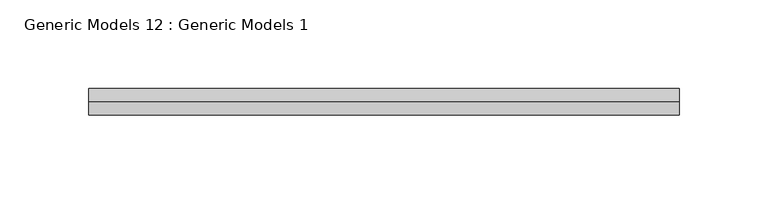
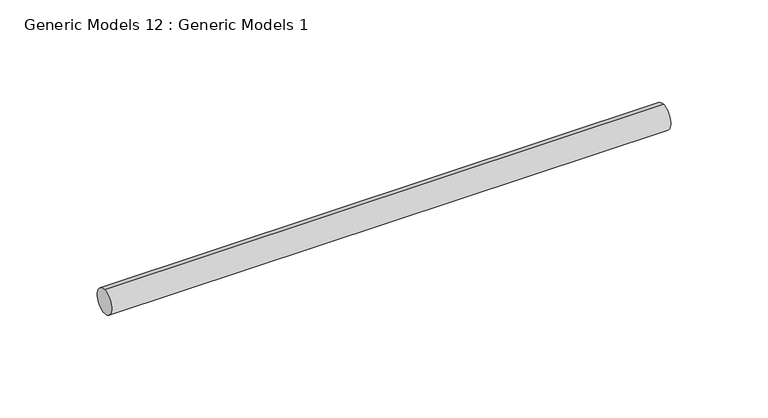
"""IFC4 building model written with IfcOpenShell, lengths in millimetres: proxy geometry, Generic Models 12 : Generic Models 1."""

import ifcopenshell
import ifcopenshell.guid

model = None  # the IFC model being written
_history = None  # IfcOwnerHistory: only IFC2X3 demands one
_inside = {}  # id of a spatial element -> (the spatial element, [elements in it])
_under = {}  # id of a project, library or spatial element -> (it, [spatial elements below it])
_declared = {}  # id of a project -> (the project, [libraries it declares])
_typed = {}  # id of a type object -> (the type object, [elements of that type])
_made_of = {}  # id of a material, layer set ... -> (it, [elements and type objects made of it])


def new_model(schema):
    """Start an empty IFC model of exactly this schema.

    Asked for "IFC4X3", IfcOpenShell would pick the latest addendum, in which some entities
    have other attributes; the version numbers below select the first issue.
    IFC2X3 requires an IfcOwnerHistory on every rooted entity: one is made here for all.
    """
    global model, _history
    if schema == "IFC4X3":
        model = ifcopenshell.file(schema_version=(4, 3, 0, 0))
    else:
        model = ifcopenshell.file(schema=schema)
    _inside.clear()
    _under.clear()
    _declared.clear()
    _typed.clear()
    _made_of.clear()
    _history = None
    if model.schema == "IFC2X3":
        org = make("IfcOrganization", Name="unknown")
        user = make(
            "IfcPersonAndOrganization",
            ThePerson=make("IfcPerson", FamilyName="unknown"),
            TheOrganization=org,
        )
        app = make(
            "IfcApplication",
            ApplicationDeveloper=org,
            Version="unknown",
            ApplicationFullName="unknown",
            ApplicationIdentifier="unknown",
        )
        _history = make(
            "IfcOwnerHistory",
            OwningUser=user,
            OwningApplication=app,
            ChangeAction="ADDED",
            CreationDate=0,
        )
    return model


def make(cls, **values):
    """One entity of the class cls with the attributes given. An attribute that is None is left unset."""
    return model.create_entity(
        cls, **{name: value for name, value in values.items() if value is not None}
    )


def rooted(cls, **values):
    """An entity with a GlobalId (a new one), such as an element, a storey or a relation."""
    return make(cls, GlobalId=ifcopenshell.guid.new(), OwnerHistory=_history, **values)


def si_unit(unit_type, name, prefix=None):
    """IfcSIUnit, for example si_unit("LENGTHUNIT", "METRE", prefix="MILLI")."""
    return make("IfcSIUnit", UnitType=unit_type, Prefix=prefix, Name=name)


def assignment(units):
    """IfcUnitAssignment: the units of a project."""
    return None if units is None else make("IfcUnitAssignment", Units=units)


def point(xyz):
    """IfcCartesianPoint."""
    return None if xyz is None else make("IfcCartesianPoint", Coordinates=xyz)


def direction(xyz):
    """IfcDirection."""
    return None if xyz is None else make("IfcDirection", DirectionRatios=xyz)


def frame(location, z_axis=None, x_axis=None):
    """IfcAxis2Placement3D, a coordinate frame: its origin and axes. An axis left out is left unset."""
    return make(
        "IfcAxis2Placement3D",
        Location=point(location),
        Axis=direction(z_axis),
        RefDirection=direction(x_axis),
    )


def frame_2d(location, x_axis=None):
    """IfcAxis2Placement2D, a coordinate frame in the plane: its origin and x axis."""
    return make(
        "IfcAxis2Placement2D", Location=point(location), RefDirection=direction(x_axis)
    )


def origin():
    """The frame at (0, 0, 0) with its axes left unset."""
    return frame((0.0, 0.0, 0.0))


def place(relative_to, where):
    """IfcLocalPlacement: puts the frame where relative to a parent placement (None: the world)."""
    return make(
        "IfcLocalPlacement", PlacementRelTo=relative_to, RelativePlacement=where
    )


def context(
    kind, dimensions, precision=None, world=None, true_north=None, identifier=None
):
    """IfcGeometricRepresentationContext, for example the 3D "Model" context."""
    return make(
        "IfcGeometricRepresentationContext",
        ContextIdentifier=identifier,
        ContextType=kind,
        CoordinateSpaceDimension=dimensions,
        Precision=precision,
        WorldCoordinateSystem=world,
        TrueNorth=true_north,
    )


def project(units=None, contexts=None):
    """IfcProject with its units and contexts."""
    return rooted(
        "IfcProject",
        Name="project",
        RepresentationContexts=contexts,
        UnitsInContext=assignment(units),
    )


def spatial(cls, under=None, at=None, **own):
    """A site, building, storey or space (cls), placed at a placement, below another one or the project."""
    s = rooted(cls, ObjectPlacement=at, **own)
    if under is not None:
        _under.setdefault(under.id(), (under, []))[1].append(s)
    return s


def circle_curve(where, radius):
    """IfcCircle in the frame where."""
    return make("IfcCircle", Position=where, Radius=radius)


def trimmed(basis, trim1, trim2, sense, master):
    """IfcTrimmedCurve: the piece of a basis curve between two trims."""
    return make(
        "IfcTrimmedCurve",
        BasisCurve=basis,
        Trim1=trim1,
        Trim2=trim2,
        SenseAgreement=sense,
        MasterRepresentation=master,
    )


def segment(curve, same_sense, transition):
    """IfcCompositeCurveSegment."""
    return make(
        "IfcCompositeCurveSegment",
        Transition=transition,
        SameSense=same_sense,
        ParentCurve=curve,
    )


def composite_curve(segments, self_intersect=None):
    """IfcCompositeCurve: segments joined end to end."""
    return make("IfcCompositeCurve", Segments=segments, SelfIntersect=self_intersect)


def outline(outer, holes=None, kind="AREA"):
    """IfcArbitraryClosedProfileDef: a profile drawn as a closed curve; with holes, ...WithVoids."""
    if holes is None:
        return make("IfcArbitraryClosedProfileDef", ProfileType=kind, OuterCurve=outer)
    return make(
        "IfcArbitraryProfileDefWithVoids",
        ProfileType=kind,
        OuterCurve=outer,
        InnerCurves=holes,
    )


def extrude(swept, where, along, depth):
    """IfcExtrudedAreaSolid: the profile swept, set in the frame where, extruded along a direction by depth."""
    return make(
        "IfcExtrudedAreaSolid",
        SweptArea=swept,
        Position=where,
        ExtrudedDirection=direction(along),
        Depth=depth,
    )


def shape(context_of_items, identifier, shape_type, items):
    """IfcShapeRepresentation: the items that make up one representation, for example the "Body"."""
    return make(
        "IfcShapeRepresentation",
        ContextOfItems=context_of_items,
        RepresentationIdentifier=identifier,
        RepresentationType=shape_type,
        Items=items,
    )


def source(mapping_origin, context_of_items, identifier, shape_type, items):
    """IfcRepresentationMap: a shape defined once, which mapped items show again and again."""
    return make(
        "IfcRepresentationMap",
        MappingOrigin=mapping_origin,
        MappedRepresentation=shape(context_of_items, identifier, shape_type, items),
    )


def transform(
    local_origin,
    x_axis=None,
    y_axis=None,
    z_axis=None,
    scale=None,
    scale2=None,
    scale3=None,
    uniform=True,
):
    """IfcCartesianTransformationOperator3D, or its non-uniform kind. x_axis, y_axis, z_axis: its Axis1, 2, 3."""
    if uniform:
        return make(
            "IfcCartesianTransformationOperator3D",
            Axis1=direction(x_axis),
            Axis2=direction(y_axis),
            LocalOrigin=point(local_origin),
            Scale=scale,
            Axis3=direction(z_axis),
        )
    return make(
        "IfcCartesianTransformationOperator3DnonUniform",
        Axis1=direction(x_axis),
        Axis2=direction(y_axis),
        LocalOrigin=point(local_origin),
        Scale=scale,
        Axis3=direction(z_axis),
        Scale2=scale2,
        Scale3=scale3,
    )


def mapped(mapping_source, mapping_target):
    """IfcMappedItem: shows the shape of a source again, moved by a transform."""
    return make(
        "IfcMappedItem", MappingSource=mapping_source, MappingTarget=mapping_target
    )


def made_of(thing, what):
    """Note that an element or type object is made of a material, layer set ...; save() writes the relation."""
    if what is not None:
        _made_of.setdefault(what.id(), (what, []))[1].append(thing)
    return thing


def element(
    cls,
    number,
    at=None,
    inside=None,
    cuts=None,
    type_object=None,
    material=None,
    context=None,
    identifier="Body",
    shape_type=None,
    held_by="IfcProductDefinitionShape",
    body=None,
    shapes=None,
    **own,
):
    """One element of the class cls, such as IfcWall. Its Tag is "e" and its number.

    at: its placement. inside: the storey or other place that contains it. cuts: it is an
    opening in that element (IfcRelVoidsElement). A single representation is given by context,
    identifier, shape_type and body (its items); several are given by shapes. held_by: the class
    of the entity that holds the representations. save() writes the other relations.
    """
    e = rooted(cls, Tag="e%d" % number, ObjectPlacement=at, **own)
    if body is not None:
        shapes = [shape(context, identifier, shape_type, body)]
    if shapes is not None:
        e.Representation = make(held_by, Representations=shapes)
    if inside is not None:
        _inside.setdefault(inside.id(), (inside, []))[1].append(e)
    if cuts is not None:
        rooted(
            "IfcRelVoidsElement", RelatingBuildingElement=cuts, RelatedOpeningElement=e
        )
    if type_object is not None:
        _typed.setdefault(type_object.id(), (type_object, []))[1].append(e)
    return made_of(e, material)


def aggregate(whole, parts):
    """IfcRelAggregates: a whole, such as a stair, and the parts it consists of."""
    return rooted("IfcRelAggregates", RelatingObject=whole, RelatedObjects=parts)


def save(model, path):
    """Write the relations noted so far, then the file.

    IfcRelAggregates (storeys below a building ...), IfcRelContainedInSpatialStructure (elements
    in a storey), IfcRelDefinesByType, IfcRelAssociatesMaterial and IfcRelDeclares: one each for
    every whole, place, type object, material and project.
    """
    for whole, parts in _under.values():
        aggregate(whole, parts)
    for where, things in _inside.values():
        rooted(
            "IfcRelContainedInSpatialStructure",
            RelatedElements=things,
            RelatingStructure=where,
        )
    for kind, things in _typed.values():
        rooted("IfcRelDefinesByType", RelatedObjects=things, RelatingType=kind)
    for what, things in _made_of.values():
        rooted("IfcRelAssociatesMaterial", RelatedObjects=things, RelatingMaterial=what)
    for by, libraries in _declared.values():
        rooted("IfcRelDeclares", RelatingContext=by, RelatedDefinitions=libraries)
    model.write(path)


def generic_models_12_generic_models_1_13f42bfc(model_context):
    return source(origin(), model_context, "Body", "SweptSolid", [
        extrude(outline(composite_curve([segment(trimmed(circle_curve(frame_2d((400.3057469, -818.1141294)), 7.5), [point((400.3057469, -825.6141294))], [point((400.3057469, -810.6141294))], False, "CARTESIAN"), True, "CONTINUOUS"), segment(trimmed(circle_curve(frame_2d((400.3057469, -818.1141294)), 7.5), [point((400.3057469, -810.6141294))], [point((400.3057469, -825.6141294))], False, "CARTESIAN"), True, "CONTINUOUS")], self_intersect=False)), frame((4521.8268509, 0.0, 0.0), z_axis=(1.0, 0.0, 0.0), x_axis=(0.0, 1.0, 0.0)), (0.0, 0.0, 1.0), 332.0),
    ])


if __name__ == "__main__":
    model = new_model("IFC4")
    model_context = context("Model", 3, world=origin())
    ifc_project = project(units=[si_unit("LENGTHUNIT", "METRE", prefix="MILLI")], contexts=[model_context])
    site = spatial("IfcSite", under=ifc_project)
    building = spatial("IfcBuilding", under=site)
    placement = place(None, origin())
    generic_models_12_generic_models_1_shape = generic_models_12_generic_models_1_13f42bfc(model_context)
    element("IfcBuildingElementProxy", 1, Name="Generic Models 12 : Generic Models 1", ObjectType="Generic Models 12 : Generic Models 1", at=placement, inside=building, context=model_context, shape_type="MappedRepresentation", body=[
        mapped(generic_models_12_generic_models_1_shape, transform((0.0, 0.0, 0.0), x_axis=(1.0, 0.0, 0.0), y_axis=(0.0, 1.0, 0.0), z_axis=(0.0, 0.0, 1.0))),
    ])
    save(model, "model.ifc")
